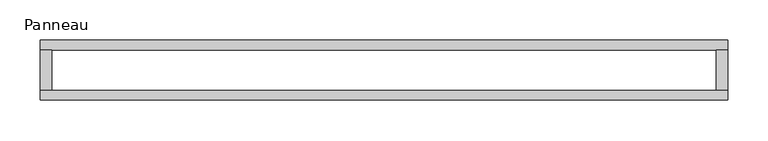
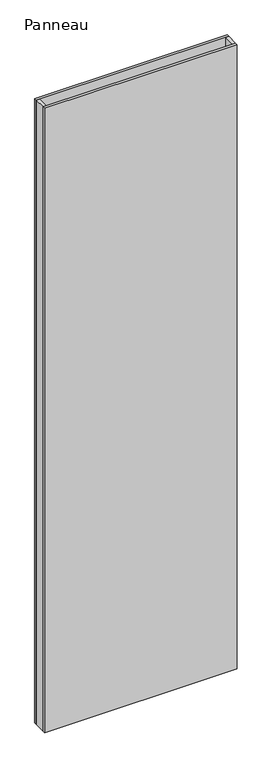
"""IFC4 building model written with IfcOpenShell, lengths in millimetres: plate geometry, Panneau."""

from ifc_helpers import new_model, si_unit, origin, origin_with_axes, place, context, project, spatial, polyline, outline, extrude, source, transform, mapped, element, save


def panneau_63fdff09(model_context):
    return source(origin(), model_context, "Body", "SweptSolid", [
        extrude(outline(polyline([(425.3847577, -37.2), (-425.3847577, -37.2), (-425.3847577, -25.2), (425.3847577, -25.2), (425.3847577, -37.2)])), origin_with_axes(), (0.0, 0.0, 1.0), 2915.0),
        extrude(outline(polyline([(-411.3847577, 25.2), (-411.3847577, -25.2), (-425.3847577, -25.2), (-425.3847577, 25.2), (-411.3847577, 25.2)])), origin_with_axes(), (0.0, 0.0, 1.0), 2915.0),
        extrude(outline(polyline([(425.3847577, 25.2), (425.3847577, -25.2), (411.3847577, -25.2), (411.3847577, 25.2), (425.3847577, 25.2)])), origin_with_axes(), (0.0, 0.0, 1.0), 2915.0),
        extrude(outline(polyline([(425.3847577, 25.2), (-425.3847577, 25.2), (-425.3847577, 37.2), (425.3847577, 37.2), (425.3847577, 25.2)])), origin_with_axes(), (0.0, 0.0, 1.0), 2915.0),
    ])


if __name__ == "__main__":
    model = new_model("IFC4")
    model_context = context("Model", 3, world=origin())
    ifc_project = project(units=[si_unit("LENGTHUNIT", "METRE", prefix="MILLI")], contexts=[model_context])
    site = spatial("IfcSite", under=ifc_project)
    building = spatial("IfcBuilding", under=site)
    placement = place(None, origin())
    panneau_shape = panneau_63fdff09(model_context)
    element("IfcPlate", 1, ObjectType="Panneau", at=placement, inside=building, context=model_context, shape_type="MappedRepresentation", body=[
        mapped(panneau_shape, transform((0.0, 0.0, 0.0), x_axis=(1.0, 0.0, 0.0), y_axis=(0.0, 1.0, 0.0), z_axis=(0.0, 0.0, 1.0))),
    ])
    save(model, "model.ifc")
